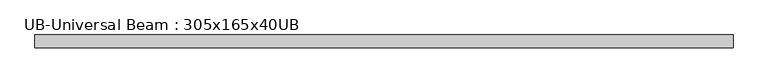
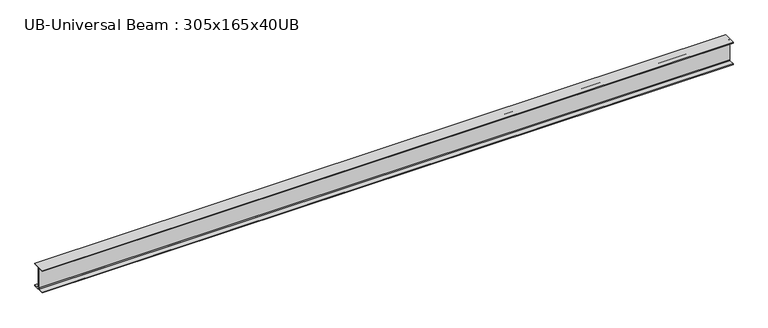
"""IFC4 building model written with IfcOpenShell, lengths in millimetres: beam geometry, UB-Universal Beam : 305x165x40UB."""

from ifc_helpers import new_model, si_unit, point, frame, frame_2d, origin, place, context, project, spatial, polyline, circle_curve, trimmed, segment, composite_curve, outline, extrude, source, transform, mapped, element, save


def ub_universal_beam_305x165x40ub_57f87713(model_context):
    return source(origin(), model_context, "Body", "SweptSolid", [
        extrude(outline(composite_curve([segment(polyline([(82.5, -141.5), (82.5, -151.7), (-82.5, -151.7), (-82.5, -141.5), (-11.9, -141.5)]), True, "CONTINUOUS"), segment(trimmed(circle_curve(frame_2d((-11.9, -132.6)), 8.9), [point((-11.9, -141.5))], [point((-3.0, -132.6))], True, "CARTESIAN"), True, "CONTINUOUS"), segment(polyline([(-3.0, -132.6), (-3.0, 132.6)]), True, "CONTINUOUS"), segment(trimmed(circle_curve(frame_2d((-11.9, 132.6)), 8.9), [point((-3.0, 132.6))], [point((-11.9, 141.5))], True, "CARTESIAN"), True, "CONTINUOUS"), segment(polyline([(-11.9, 141.5), (-82.5, 141.5), (-82.5, 151.7), (82.5, 151.7), (82.5, 141.5), (11.9, 141.5)]), True, "CONTINUOUS"), segment(trimmed(circle_curve(frame_2d((11.9, 132.6)), 8.9), [point((11.9, 141.5))], [point((3.0, 132.6))], True, "CARTESIAN"), True, "CONTINUOUS"), segment(polyline([(3.0, 132.6), (3.0, -132.6)]), True, "CONTINUOUS"), segment(trimmed(circle_curve(frame_2d((11.9, -132.6)), 8.9), [point((3.0, -132.6))], [point((11.9, -141.5))], True, "CARTESIAN"), True, "CONTINUOUS"), segment(polyline([(11.9, -141.5), (82.5, -141.5)]), True, "CONTINUOUS")], self_intersect=False)), frame((-4424.5566144, 0.0, 0.0), z_axis=(1.0, 0.0, 0.0), x_axis=(0.0, 1.0, 0.0)), (0.0, 0.0, 1.0), 8856.6618415),
    ])


if __name__ == "__main__":
    model = new_model("IFC4")
    model_context = context("Model", 3, world=origin())
    ifc_project = project(units=[si_unit("LENGTHUNIT", "METRE", prefix="MILLI")], contexts=[model_context])
    site = spatial("IfcSite", under=ifc_project)
    building = spatial("IfcBuilding", under=site)
    placement = place(None, origin())
    ub_universal_beam_305x165x40ub_shape = ub_universal_beam_305x165x40ub_57f87713(model_context)
    element("IfcBeam", 1, ObjectType="UB-Universal Beam : 305x165x40UB", at=placement, inside=building, context=model_context, shape_type="MappedRepresentation", body=[
        mapped(ub_universal_beam_305x165x40ub_shape, transform((0.0, 0.0, 0.0), x_axis=(1.0, 0.0, 0.0), y_axis=(0.0, 1.0, 0.0), z_axis=(0.0, 0.0, 1.0))),
    ])
    save(model, "model.ifc")
